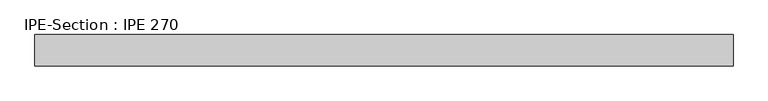
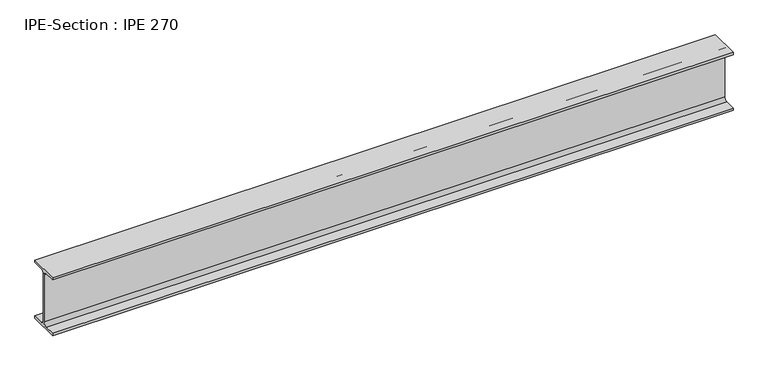
"""IFC4 building model written with IfcOpenShell, lengths in millimetres: beam geometry, IPE-Section : IPE 270."""

from ifc_helpers import new_model, si_unit, point, frame, frame_2d, origin, place, context, project, spatial, polyline, circle_curve, trimmed, segment, composite_curve, outline, extrude, source, transform, mapped, element, save


def ipe_section_ipe_270_7deb5bc5(model_context):
    return source(origin(), model_context, "Body", "SweptSolid", [
        extrude(outline(composite_curve([segment(polyline([(67.5, -124.8), (67.5, -135.0), (-67.5, -135.0), (-67.5, -124.8), (-18.3, -124.8)]), True, "CONTINUOUS"), segment(trimmed(circle_curve(frame_2d((-18.3, -109.8)), 15.0), [point((-18.3, -124.8))], [point((-3.3, -109.8))], True, "CARTESIAN"), True, "CONTINUOUS"), segment(polyline([(-3.3, -109.8), (-3.3, 109.8)]), True, "CONTINUOUS"), segment(trimmed(circle_curve(frame_2d((-18.3, 109.8)), 15.0), [point((-3.3, 109.8))], [point((-18.3, 124.8))], True, "CARTESIAN"), True, "CONTINUOUS"), segment(polyline([(-18.3, 124.8), (-67.5, 124.8), (-67.5, 135.0), (67.5, 135.0), (67.5, 124.8), (18.3, 124.8)]), True, "CONTINUOUS"), segment(trimmed(circle_curve(frame_2d((18.3, 109.8)), 15.0), [point((18.3, 124.8))], [point((3.3, 109.8))], True, "CARTESIAN"), True, "CONTINUOUS"), segment(polyline([(3.3, 109.8), (3.3, -109.8)]), True, "CONTINUOUS"), segment(trimmed(circle_curve(frame_2d((18.3, -109.8)), 15.0), [point((3.3, -109.8))], [point((18.3, -124.8))], True, "CARTESIAN"), True, "CONTINUOUS"), segment(polyline([(18.3, -124.8), (67.5, -124.8)]), True, "CONTINUOUS")], self_intersect=False)), frame((-1502.3, 0.0, 0.0), z_axis=(1.0, 0.0, 0.0), x_axis=(0.0, 1.0, 0.0)), (0.0, 0.0, 1.0), 3004.6),
    ])


if __name__ == "__main__":
    model = new_model("IFC4")
    model_context = context("Model", 3, world=origin())
    ifc_project = project(units=[si_unit("LENGTHUNIT", "METRE", prefix="MILLI")], contexts=[model_context])
    site = spatial("IfcSite", under=ifc_project)
    building = spatial("IfcBuilding", under=site)
    placement = place(None, origin())
    ipe_section_ipe_270_shape = ipe_section_ipe_270_7deb5bc5(model_context)
    element("IfcBeam", 1, ObjectType="IPE-Section : IPE 270", at=placement, inside=building, context=model_context, shape_type="MappedRepresentation", body=[
        mapped(ipe_section_ipe_270_shape, transform((0.0, 0.0, 0.0), x_axis=(1.0, 0.0, 0.0), y_axis=(0.0, 1.0, 0.0), z_axis=(0.0, 0.0, 1.0))),
    ])
    save(model, "model.ifc")
